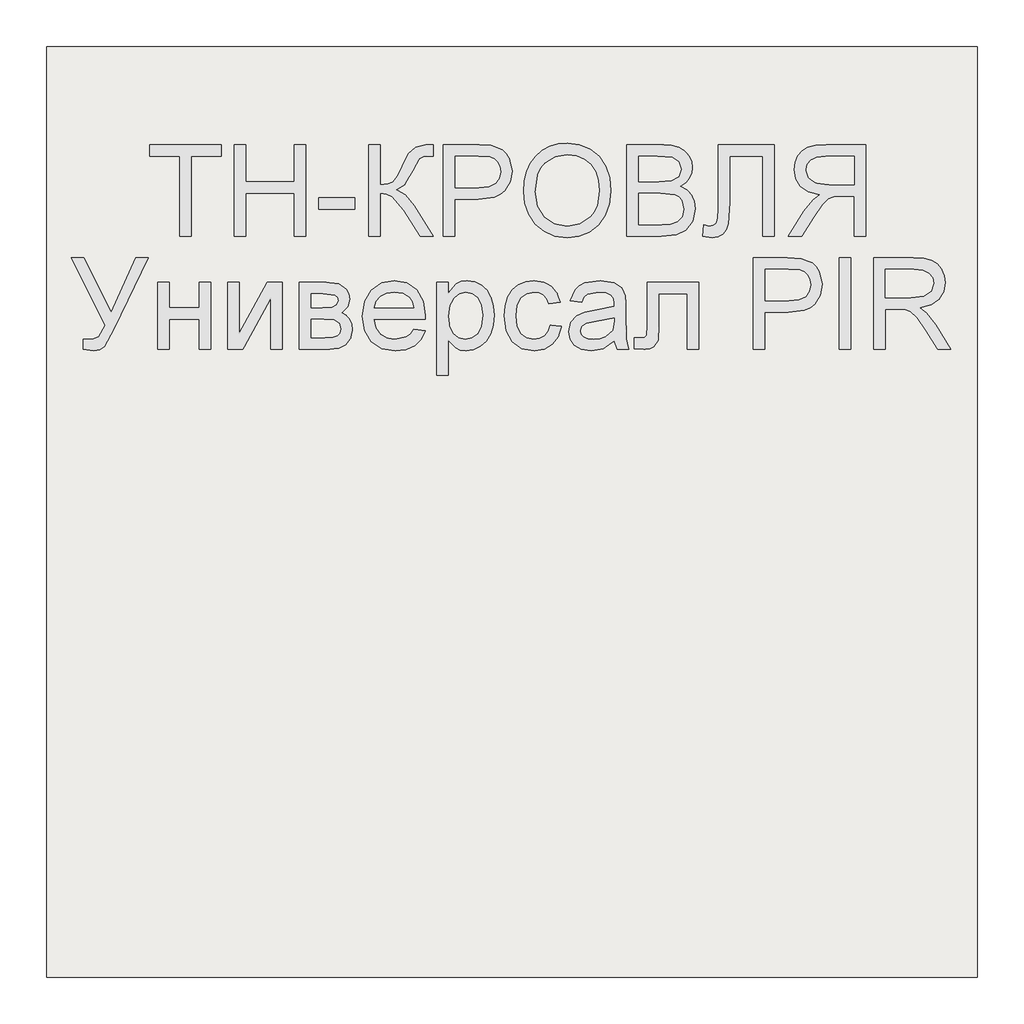
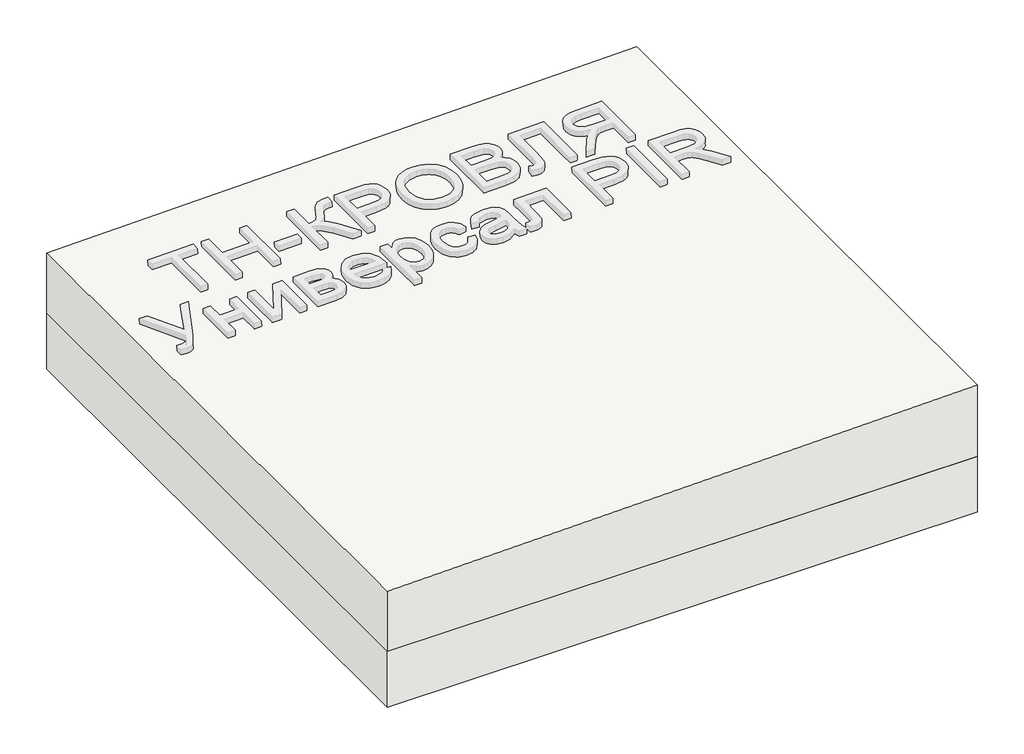
# One storey, part 1 of 3: 1 roof, 1 slab.
"""IFC4 building model written with IfcOpenShell, lengths in millimetres."""

from ifc_helpers import new_model, si_unit, frame, origin, place, context, project, spatial, polyline, outline, extrude, element, save

model = new_model("IFC4")

# Units and contexts
model_context = context("Model", 3, world=origin())
ifc_project = project(units=[si_unit("LENGTHUNIT", "METRE", prefix="MILLI")], contexts=[model_context])

# Site, building, storey
site = spatial("IfcSite", under=ifc_project)
building = spatial("IfcBuilding", under=site)
storey = spatial("IfcBuildingStorey", under=building, Elevation=0.0)

# Roof
placement = place(None, origin())
element("IfcRoof", 1, at=placement, inside=storey, context=model_context, shape_type="SweptSolid", body=[
    extrude(outline(polyline([(216.0, 51706.3955952), (0.0, 51706.3955952), (0.0, 53706.3955952), (256.0, 53706.3955952), (216.0, 51706.3955952)])), frame((0.0, -6302.6148653, 0.0), z_axis=(0.0, 1.0, 0.0), x_axis=(0.0, 0.0, 1.0)), (0.0, 0.0, 1.0), 2000.0),
])

# Slab
element("IfcSlab", 2, at=placement, inside=storey, context=model_context, shape_type="SweptSolid", body=[
    extrude(outline(polyline([(53706.3955952, -6302.6148653), (51706.3955952, -6302.6148653), (51706.3955952, -4302.6148653), (53706.3955952, -4302.6148653), (53706.3955952, -6302.6148653)])), frame((0.0, 0.0, -200.0), z_axis=(0.0, 0.0, 1.0), x_axis=(1.0, 0.0, 0.0)), (0.0, 0.0, 1.0), 200.0),
])

save(model, "model.ifc")
